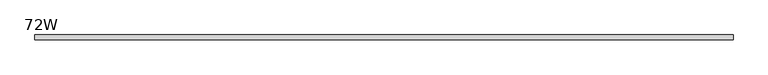
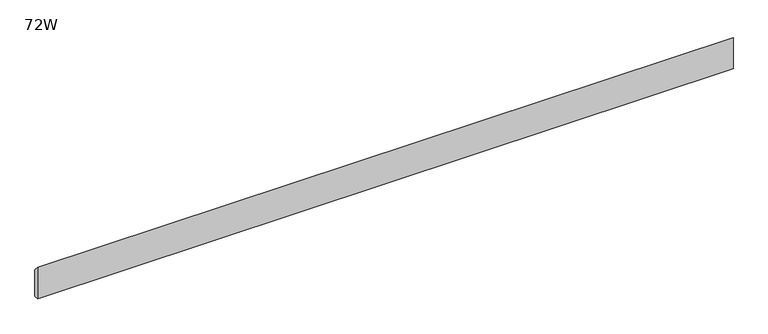
"""IFC4 building model written with IfcOpenShell, lengths in millimetres: furniture geometry, 72W."""

import ifcopenshell
import ifcopenshell.guid

model = None  # the IFC model being written
_history = None  # IfcOwnerHistory: only IFC2X3 demands one
_inside = {}  # id of a spatial element -> (the spatial element, [elements in it])
_under = {}  # id of a project, library or spatial element -> (it, [spatial elements below it])
_declared = {}  # id of a project -> (the project, [libraries it declares])
_typed = {}  # id of a type object -> (the type object, [elements of that type])
_made_of = {}  # id of a material, layer set ... -> (it, [elements and type objects made of it])


def new_model(schema):
    """Start an empty IFC model of exactly this schema.

    Asked for "IFC4X3", IfcOpenShell would pick the latest addendum, in which some entities
    have other attributes; the version numbers below select the first issue.
    IFC2X3 requires an IfcOwnerHistory on every rooted entity: one is made here for all.
    """
    global model, _history
    if schema == "IFC4X3":
        model = ifcopenshell.file(schema_version=(4, 3, 0, 0))
    else:
        model = ifcopenshell.file(schema=schema)
    _inside.clear()
    _under.clear()
    _declared.clear()
    _typed.clear()
    _made_of.clear()
    _history = None
    if model.schema == "IFC2X3":
        org = make("IfcOrganization", Name="unknown")
        user = make(
            "IfcPersonAndOrganization",
            ThePerson=make("IfcPerson", FamilyName="unknown"),
            TheOrganization=org,
        )
        app = make(
            "IfcApplication",
            ApplicationDeveloper=org,
            Version="unknown",
            ApplicationFullName="unknown",
            ApplicationIdentifier="unknown",
        )
        _history = make(
            "IfcOwnerHistory",
            OwningUser=user,
            OwningApplication=app,
            ChangeAction="ADDED",
            CreationDate=0,
        )
    return model


def make(cls, **values):
    """One entity of the class cls with the attributes given. An attribute that is None is left unset."""
    return model.create_entity(
        cls, **{name: value for name, value in values.items() if value is not None}
    )


def rooted(cls, **values):
    """An entity with a GlobalId (a new one), such as an element, a storey or a relation."""
    return make(cls, GlobalId=ifcopenshell.guid.new(), OwnerHistory=_history, **values)


def si_unit(unit_type, name, prefix=None):
    """IfcSIUnit, for example si_unit("LENGTHUNIT", "METRE", prefix="MILLI")."""
    return make("IfcSIUnit", UnitType=unit_type, Prefix=prefix, Name=name)


def assignment(units):
    """IfcUnitAssignment: the units of a project."""
    return None if units is None else make("IfcUnitAssignment", Units=units)


def point(xyz):
    """IfcCartesianPoint."""
    return None if xyz is None else make("IfcCartesianPoint", Coordinates=xyz)


def direction(xyz):
    """IfcDirection."""
    return None if xyz is None else make("IfcDirection", DirectionRatios=xyz)


def frame(location, z_axis=None, x_axis=None):
    """IfcAxis2Placement3D, a coordinate frame: its origin and axes. An axis left out is left unset."""
    return make(
        "IfcAxis2Placement3D",
        Location=point(location),
        Axis=direction(z_axis),
        RefDirection=direction(x_axis),
    )


def origin():
    """The frame at (0, 0, 0) with its axes left unset."""
    return frame((0.0, 0.0, 0.0))


def place(relative_to, where):
    """IfcLocalPlacement: puts the frame where relative to a parent placement (None: the world)."""
    return make(
        "IfcLocalPlacement", PlacementRelTo=relative_to, RelativePlacement=where
    )


def context(
    kind, dimensions, precision=None, world=None, true_north=None, identifier=None
):
    """IfcGeometricRepresentationContext, for example the 3D "Model" context."""
    return make(
        "IfcGeometricRepresentationContext",
        ContextIdentifier=identifier,
        ContextType=kind,
        CoordinateSpaceDimension=dimensions,
        Precision=precision,
        WorldCoordinateSystem=world,
        TrueNorth=true_north,
    )


def project(units=None, contexts=None):
    """IfcProject with its units and contexts."""
    return rooted(
        "IfcProject",
        Name="project",
        RepresentationContexts=contexts,
        UnitsInContext=assignment(units),
    )


def spatial(cls, under=None, at=None, **own):
    """A site, building, storey or space (cls), placed at a placement, below another one or the project."""
    s = rooted(cls, ObjectPlacement=at, **own)
    if under is not None:
        _under.setdefault(under.id(), (under, []))[1].append(s)
    return s


def polyline(points):
    """IfcPolyline through the points."""
    return make("IfcPolyline", Points=[point(p) for p in points])


def outline(outer, holes=None, kind="AREA"):
    """IfcArbitraryClosedProfileDef: a profile drawn as a closed curve; with holes, ...WithVoids."""
    if holes is None:
        return make("IfcArbitraryClosedProfileDef", ProfileType=kind, OuterCurve=outer)
    return make(
        "IfcArbitraryProfileDefWithVoids",
        ProfileType=kind,
        OuterCurve=outer,
        InnerCurves=holes,
    )


def extrude(swept, where, along, depth):
    """IfcExtrudedAreaSolid: the profile swept, set in the frame where, extruded along a direction by depth."""
    return make(
        "IfcExtrudedAreaSolid",
        SweptArea=swept,
        Position=where,
        ExtrudedDirection=direction(along),
        Depth=depth,
    )


def shape(context_of_items, identifier, shape_type, items):
    """IfcShapeRepresentation: the items that make up one representation, for example the "Body"."""
    return make(
        "IfcShapeRepresentation",
        ContextOfItems=context_of_items,
        RepresentationIdentifier=identifier,
        RepresentationType=shape_type,
        Items=items,
    )


def source(mapping_origin, context_of_items, identifier, shape_type, items):
    """IfcRepresentationMap: a shape defined once, which mapped items show again and again."""
    return make(
        "IfcRepresentationMap",
        MappingOrigin=mapping_origin,
        MappedRepresentation=shape(context_of_items, identifier, shape_type, items),
    )


def transform(
    local_origin,
    x_axis=None,
    y_axis=None,
    z_axis=None,
    scale=None,
    scale2=None,
    scale3=None,
    uniform=True,
):
    """IfcCartesianTransformationOperator3D, or its non-uniform kind. x_axis, y_axis, z_axis: its Axis1, 2, 3."""
    if uniform:
        return make(
            "IfcCartesianTransformationOperator3D",
            Axis1=direction(x_axis),
            Axis2=direction(y_axis),
            LocalOrigin=point(local_origin),
            Scale=scale,
            Axis3=direction(z_axis),
        )
    return make(
        "IfcCartesianTransformationOperator3DnonUniform",
        Axis1=direction(x_axis),
        Axis2=direction(y_axis),
        LocalOrigin=point(local_origin),
        Scale=scale,
        Axis3=direction(z_axis),
        Scale2=scale2,
        Scale3=scale3,
    )


def mapped(mapping_source, mapping_target):
    """IfcMappedItem: shows the shape of a source again, moved by a transform."""
    return make(
        "IfcMappedItem", MappingSource=mapping_source, MappingTarget=mapping_target
    )


def made_of(thing, what):
    """Note that an element or type object is made of a material, layer set ...; save() writes the relation."""
    if what is not None:
        _made_of.setdefault(what.id(), (what, []))[1].append(thing)
    return thing


def element(
    cls,
    number,
    at=None,
    inside=None,
    cuts=None,
    type_object=None,
    material=None,
    context=None,
    identifier="Body",
    shape_type=None,
    held_by="IfcProductDefinitionShape",
    body=None,
    shapes=None,
    **own,
):
    """One element of the class cls, such as IfcWall. Its Tag is "e" and its number.

    at: its placement. inside: the storey or other place that contains it. cuts: it is an
    opening in that element (IfcRelVoidsElement). A single representation is given by context,
    identifier, shape_type and body (its items); several are given by shapes. held_by: the class
    of the entity that holds the representations. save() writes the other relations.
    """
    e = rooted(cls, Tag="e%d" % number, ObjectPlacement=at, **own)
    if body is not None:
        shapes = [shape(context, identifier, shape_type, body)]
    if shapes is not None:
        e.Representation = make(held_by, Representations=shapes)
    if inside is not None:
        _inside.setdefault(inside.id(), (inside, []))[1].append(e)
    if cuts is not None:
        rooted(
            "IfcRelVoidsElement", RelatingBuildingElement=cuts, RelatedOpeningElement=e
        )
    if type_object is not None:
        _typed.setdefault(type_object.id(), (type_object, []))[1].append(e)
    return made_of(e, material)


def aggregate(whole, parts):
    """IfcRelAggregates: a whole, such as a stair, and the parts it consists of."""
    return rooted("IfcRelAggregates", RelatingObject=whole, RelatedObjects=parts)


def save(model, path):
    """Write the relations noted so far, then the file.

    IfcRelAggregates (storeys below a building ...), IfcRelContainedInSpatialStructure (elements
    in a storey), IfcRelDefinesByType, IfcRelAssociatesMaterial and IfcRelDeclares: one each for
    every whole, place, type object, material and project.
    """
    for whole, parts in _under.values():
        aggregate(whole, parts)
    for where, things in _inside.values():
        rooted(
            "IfcRelContainedInSpatialStructure",
            RelatedElements=things,
            RelatingStructure=where,
        )
    for kind, things in _typed.values():
        rooted("IfcRelDefinesByType", RelatedObjects=things, RelatingType=kind)
    for what, things in _made_of.values():
        rooted("IfcRelAssociatesMaterial", RelatedObjects=things, RelatingMaterial=what)
    for by, libraries in _declared.values():
        rooted("IfcRelDeclares", RelatingContext=by, RelatedDefinitions=libraries)
    model.write(path)


def furniture_72w_fe9e6521(model_context):
    return source(origin(), model_context, "Body", "SweptSolid", [
        extrude(outline(polyline([(-11.938, 677.7482), (-11.938, 760.2982), (0.0, 747.5982), (0.0, 677.7482), (-11.938, 677.7482)])), frame((48.006, 0.0, 0.0), z_axis=(1.0, 0.0, 0.0), x_axis=(0.0, 1.0, 0.0)), (0.0, 0.0, 1.0), 1732.788),
    ])


if __name__ == "__main__":
    model = new_model("IFC4")
    model_context = context("Model", 3, world=origin())
    ifc_project = project(units=[si_unit("LENGTHUNIT", "METRE", prefix="MILLI")], contexts=[model_context])
    site = spatial("IfcSite", under=ifc_project)
    building = spatial("IfcBuilding", under=site)
    placement = place(None, origin())
    furniture_72w_shape = furniture_72w_fe9e6521(model_context)
    element("IfcFurniture", 1, ObjectType="72W", at=placement, inside=building, context=model_context, shape_type="MappedRepresentation", body=[
        mapped(furniture_72w_shape, transform((0.0, 0.0, 0.0), x_axis=(1.0, 0.0, 0.0), y_axis=(0.0, 1.0, 0.0), z_axis=(0.0, 0.0, 1.0))),
    ])
    save(model, "model.ifc")
